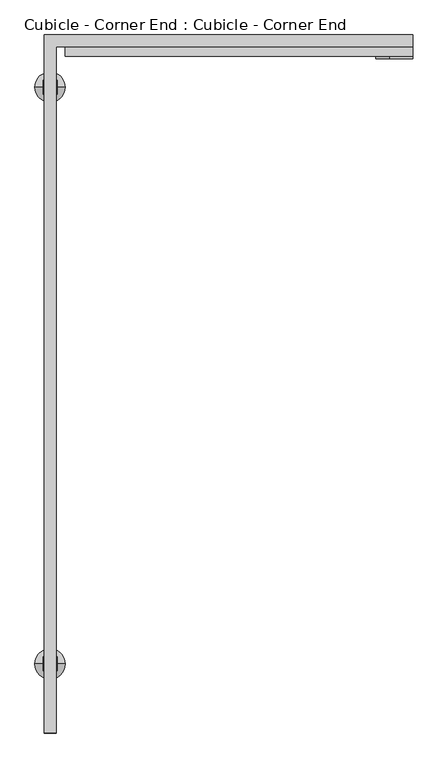
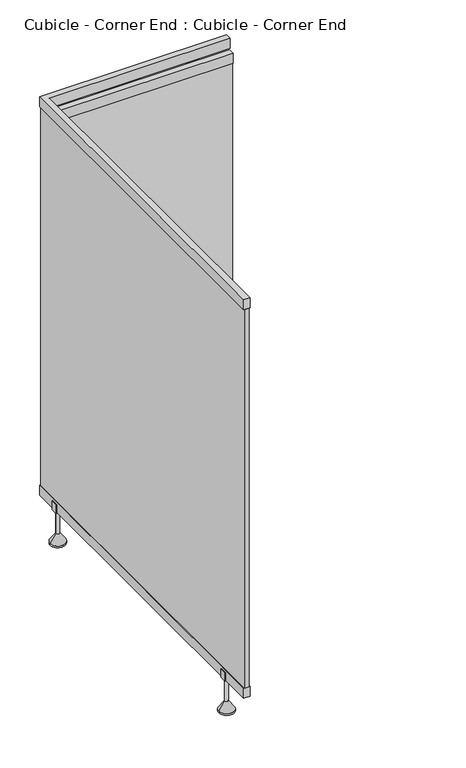
"""IFC4 building model written with IfcOpenShell, lengths in millimetres: proxy geometry, Cubicle - Corner End : Cubicle - Corner End."""

from ifc_helpers import new_model, si_unit, point, frame, frame_2d, origin, place, context, project, spatial, polyline, circle_curve, trimmed, segment, composite_curve, outline, extrude, source, transform, mapped, element, save
from ifc_brep_helpers import plane_surface, cylinder_surface, revolved_surface, advanced_brep


def cubicle_corner_end_cubicle_corner_end_8b63c8d8(model_context):
    return source(origin(), model_context, "Body", "SolidModel", [
        extrude(outline(composite_curve([segment(polyline([(770.0, 315.4831277), (770.0, 365.4310706), (830.1827358, 365.4310706), (830.1827358, 315.4831277)]), True, "CONTINUOUS"), segment(trimmed(circle_curve(frame_2d((800.0913679, 315.4831277)), 30.0913679), [point((830.1827358, 315.4831277))], [point((770.0, 315.4831277))], False, "CARTESIAN"), True, "CONTINUOUS")], self_intersect=False), holes=[composite_curve([segment(trimmed(circle_curve(frame_2d((800.0913679, 315.4831277)), 10.0), [point((800.0913679, 305.4831277))], [point((800.0913679, 325.4831277))], True, "CARTESIAN"), True, "CONTINUOUS"), segment(trimmed(circle_curve(frame_2d((800.0913679, 315.4831277)), 10.0), [point((800.0913679, 325.4831277))], [point((800.0913679, 305.4831277))], True, "CARTESIAN"), True, "CONTINUOUS")], self_intersect=False)]), frame((0.0, 1762.0, 0.0), z_axis=(0.0, 1.0, 0.0), x_axis=(0.0, 0.0, 1.0)), (0.0, 0.0, 1.0), 36.0),
        extrude(outline(polyline([(365.4310706, 1790.0), (365.4310706, 1770.0), (-389.5689294, 1770.0), (-389.5689294, 1790.0), (365.4310706, 1790.0)])), frame((0.0, 0.0, 195.0), z_axis=(0.0, 0.0, 1.0), x_axis=(1.0, 0.0, 0.0)), (0.0, 0.0, 1.0), 1655.0),
        extrude(outline(polyline([(365.4310706, 1767.0), (-389.5689294, 1767.0), (-389.5689294, 1793.0), (365.4310706, 1793.0), (365.4310706, 1767.0)])), frame((0.0, 0.0, 1850.0), z_axis=(0.0, 0.0, 1.0), x_axis=(1.0, 0.0, 0.0)), (0.0, 0.0, 1.0), 45.0),
        extrude(outline(polyline([(365.4310706, 1767.0), (-389.5689294, 1767.0), (-389.5689294, 1793.0), (365.4310706, 1793.0), (365.4310706, 1767.0)])), frame((0.0, 0.0, 150.0), z_axis=(0.0, 0.0, 1.0), x_axis=(1.0, 0.0, 0.0)), (0.0, 0.0, 1.0), 45.0),
        extrude(outline(polyline([(145.0, -437.0689294), (145.0, -407.0689294), (185.0, -407.0689294), (185.0, -412.0689294), (150.0, -412.0689294), (150.0, -432.0689294), (185.0, -432.0689294), (185.0, -437.0689294), (145.0, -437.0689294)])), frame((0.0, 1685.0, 0.0), z_axis=(0.0, 1.0, 0.0), x_axis=(0.0, 0.0, 1.0)), (0.0, 0.0, 1.0), 30.0),
        advanced_brep(
        [(-389.125872, 1700.0, 7.2339182), (-414.5689294, 1700.0, 43.57037), (-429.5689294, 1700.0, 43.57037), (-455.0119869, 1700.0, 7.2339182), (-389.125872, 1700.0, 0.0), (-455.0119869, 1700.0, 0.0), (-422.0689294, 1700.0, 0.0), (-414.5689294, 1700.0, 145.0), (-422.0689294, 1700.0, 145.0), (-429.5689294, 1700.0, 145.0)],
        [
            (0, 1),
            (1, 2, circle_curve(frame((-422.0689294, 1700.0, 43.57037), z_axis=(0.0, 0.0, -1.0), x_axis=(-1.0, 0.0, 0.0)), 7.5)),
            (2, 3),
            (3, 0, circle_curve(frame((-422.0689294, 1700.0, 7.2339182), z_axis=(0.0, 0.0, 1.0), x_axis=(-1.0, 0.0, 0.0)), 32.9430575)),
            (2, 1, circle_curve(frame((-422.0689294, 1700.0, 43.57037), z_axis=(0.0, 0.0, -1.0), x_axis=(-1.0, 0.0, 0.0)), 7.5)),
            (0, 3, circle_curve(frame((-422.0689294, 1700.0, 7.2339182), z_axis=(0.0, 0.0, 1.0), x_axis=(-1.0, 0.0, 0.0)), 32.9430575)),
            (4, 0),
            (3, 5),
            (5, 4, circle_curve(frame((-422.0689294, 1700.0, 0.0), z_axis=(0.0, 0.0, 1.0), x_axis=(-1.0, 0.0, 0.0)), 32.9430575)),
            (4, 5, circle_curve(frame((-422.0689294, 1700.0, 0.0), z_axis=(0.0, 0.0, 1.0), x_axis=(-1.0, 0.0, 0.0)), 32.9430575)),
            (6, 4),
            (5, 6),
            (7, 8),
            (8, 9),
            (9, 7, circle_curve(frame((-422.0689294, 1700.0, 145.0), z_axis=(0.0, 0.0, 1.0), x_axis=(-1.0, 0.0, 0.0)), 7.5)),
            (7, 9, circle_curve(frame((-422.0689294, 1700.0, 145.0), z_axis=(0.0, 0.0, 1.0), x_axis=(-1.0, 0.0, 0.0)), 7.5)),
            (1, 7),
            (9, 2),
        ],
        [
            revolved_surface(polyline([(-429.5689294, 1700.0, 43.57037), (-455.0119869, 1700.0, 7.2339182)]), (-422.0689294, 1700.0, -60.0), (0.0, 0.0, -1.0)),
            cylinder_surface(frame((-422.0689294, 1700.0, -60.0), z_axis=(0.0, 0.0, -1.0), x_axis=(-1.0, 0.0, 0.0)), 32.9430575),
            plane_surface(frame((-422.0689294, 1700.0, 0.0), z_axis=(0.0, 0.0, -1.0), x_axis=(-1.0, 0.0, 0.0))),
            plane_surface(frame((-422.0689294, 1700.0, 145.0), z_axis=(0.0, 0.0, 1.0), x_axis=(-1.0, 0.0, 0.0))),
            cylinder_surface(frame((-422.0689294, 1700.0, -60.0), z_axis=(0.0, 0.0, -1.0), x_axis=(-1.0, 0.0, 0.0)), 7.5),
        ],
        [
            (0, [[1, 2, 3, 4]]),
            (0, [[-3, 5, -1, 6]]),
            (1, [[7, -4, 8, 9]]),
            (1, [[-8, -6, -7, 10]]),
            (2, [[11, -9, 12]]),
            (2, [[-12, -10, -11]]),
            (3, [[13, 14, 15]]),
            (3, [[-14, -13, 16]]),
            (4, [[17, -15, 18, -2]]),
            (4, [[-18, -16, -17, -5]]),
        ],
    ),
        extrude(outline(polyline([(145.0, -437.0689294), (145.0, -407.0689294), (185.0, -407.0689294), (185.0, -412.0689294), (150.0, -412.0689294), (150.0, -432.0689294), (185.0, -432.0689294), (185.0, -437.0689294), (145.0, -437.0689294)])), frame((0.0, 435.0, 0.0), z_axis=(0.0, 1.0, 0.0), x_axis=(0.0, 0.0, 1.0)), (0.0, 0.0, 1.0), 30.0),
        advanced_brep(
        [(-389.125872, 450.0, 7.2339182), (-414.5689294, 450.0, 43.57037), (-429.5689294, 450.0, 43.57037), (-455.0119869, 450.0, 7.2339182), (-389.125872, 450.0, 0.0), (-455.0119869, 450.0, 0.0), (-422.0689294, 450.0, 0.0), (-414.5689294, 450.0, 145.0), (-422.0689294, 450.0, 145.0), (-429.5689294, 450.0, 145.0)],
        [
            (0, 1),
            (1, 2, circle_curve(frame((-422.0689294, 450.0, 43.57037), z_axis=(0.0, 0.0, -1.0), x_axis=(-1.0, 0.0, 0.0)), 7.5)),
            (2, 3),
            (3, 0, circle_curve(frame((-422.0689294, 450.0, 7.2339182), z_axis=(0.0, 0.0, 1.0), x_axis=(-1.0, 0.0, 0.0)), 32.9430575)),
            (2, 1, circle_curve(frame((-422.0689294, 450.0, 43.57037), z_axis=(0.0, 0.0, -1.0), x_axis=(-1.0, 0.0, 0.0)), 7.5)),
            (0, 3, circle_curve(frame((-422.0689294, 450.0, 7.2339182), z_axis=(0.0, 0.0, 1.0), x_axis=(-1.0, 0.0, 0.0)), 32.9430575)),
            (4, 0),
            (3, 5),
            (5, 4, circle_curve(frame((-422.0689294, 450.0, 0.0), z_axis=(0.0, 0.0, 1.0), x_axis=(-1.0, 0.0, 0.0)), 32.9430575)),
            (4, 5, circle_curve(frame((-422.0689294, 450.0, 0.0), z_axis=(0.0, 0.0, 1.0), x_axis=(-1.0, 0.0, 0.0)), 32.9430575)),
            (6, 4),
            (5, 6),
            (7, 8),
            (8, 9),
            (9, 7, circle_curve(frame((-422.0689294, 450.0, 145.0), z_axis=(0.0, 0.0, 1.0), x_axis=(-1.0, 0.0, 0.0)), 7.5)),
            (7, 9, circle_curve(frame((-422.0689294, 450.0, 145.0), z_axis=(0.0, 0.0, 1.0), x_axis=(-1.0, 0.0, 0.0)), 7.5)),
            (1, 7),
            (9, 2),
        ],
        [
            revolved_surface(polyline([(-429.5689294, 450.0, 43.57037), (-455.0119869, 450.0, 7.2339182)]), (-422.0689294, 450.0, -60.0), (0.0, 0.0, -1.0)),
            cylinder_surface(frame((-422.0689294, 450.0, -60.0), z_axis=(0.0, 0.0, -1.0), x_axis=(-1.0, 0.0, 0.0)), 32.9430575),
            plane_surface(frame((-422.0689294, 450.0, 0.0), z_axis=(0.0, 0.0, -1.0), x_axis=(-1.0, 0.0, 0.0))),
            plane_surface(frame((-422.0689294, 450.0, 145.0), z_axis=(0.0, 0.0, 1.0), x_axis=(-1.0, 0.0, 0.0))),
            cylinder_surface(frame((-422.0689294, 450.0, -60.0), z_axis=(0.0, 0.0, -1.0), x_axis=(-1.0, 0.0, 0.0)), 7.5),
        ],
        [
            (0, [[1, 2, 3, 4]]),
            (0, [[-3, 5, -1, 6]]),
            (1, [[7, -4, 8, 9]]),
            (1, [[-8, -6, -7, 10]]),
            (2, [[11, -9, 12]]),
            (2, [[-12, -10, -11]]),
            (3, [[13, 14, 15]]),
            (3, [[-14, -13, 16]]),
            (4, [[17, -15, 18, -2]]),
            (4, [[-18, -16, -17, -5]]),
        ],
    ),
        extrude(outline(polyline([(-432.0689294, 300.0), (-432.0689294, 1810.0), (-389.5689294, 1810.0), (-389.5689294, 1790.0), (-412.0689294, 1790.0), (-412.0689294, 300.0), (-432.0689294, 300.0)])), frame((0.0, 0.0, 195.0), z_axis=(0.0, 0.0, 1.0), x_axis=(1.0, 0.0, 0.0)), (0.0, 0.0, 1.0), 1710.0),
        extrude(outline(polyline([(-435.0689294, 300.0), (-435.0689294, 1813.0), (-389.5689294, 1813.0), (-389.5689294, 1787.24969), (-409.0689294, 1787.24969), (-409.0689294, 300.0), (-435.0689294, 300.0)])), frame((0.0, 0.0, 150.0), z_axis=(0.0, 0.0, 1.0), x_axis=(1.0, 0.0, 0.0)), (0.0, 0.0, 1.0), 45.0),
        extrude(outline(polyline([(365.4310706, 1813.0), (365.4310706, 1787.2947936), (-409.0689294, 1787.2947936), (-409.0689294, 300.0), (-435.0689294, 300.0), (-435.0689294, 1813.0), (365.4310706, 1813.0)])), frame((0.0, 0.0, 1905.0), z_axis=(0.0, 0.0, 1.0), x_axis=(1.0, 0.0, 0.0)), (0.0, 0.0, 1.0), 45.0),
    ])


if __name__ == "__main__":
    model = new_model("IFC4")
    model_context = context("Model", 3, world=origin())
    ifc_project = project(units=[si_unit("LENGTHUNIT", "METRE", prefix="MILLI")], contexts=[model_context])
    site = spatial("IfcSite", under=ifc_project)
    building = spatial("IfcBuilding", under=site)
    placement = place(None, origin())
    cubicle_corner_end_cubicle_corner_end_shape = cubicle_corner_end_cubicle_corner_end_8b63c8d8(model_context)
    element("IfcBuildingElementProxy", 1, Name="Cubicle - Corner End : Cubicle - Corner End", ObjectType="Cubicle - Corner End : Cubicle - Corner End", at=placement, inside=building, context=model_context, shape_type="MappedRepresentation", body=[
        mapped(cubicle_corner_end_cubicle_corner_end_shape, transform((0.0, 0.0, 0.0), x_axis=(1.0, 0.0, 0.0), y_axis=(0.0, 1.0, 0.0), z_axis=(0.0, 0.0, 1.0))),
    ])
    save(model, "model.ifc")
